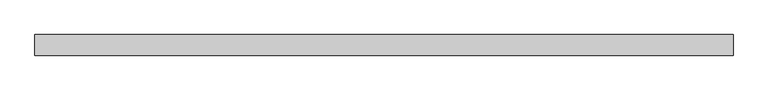
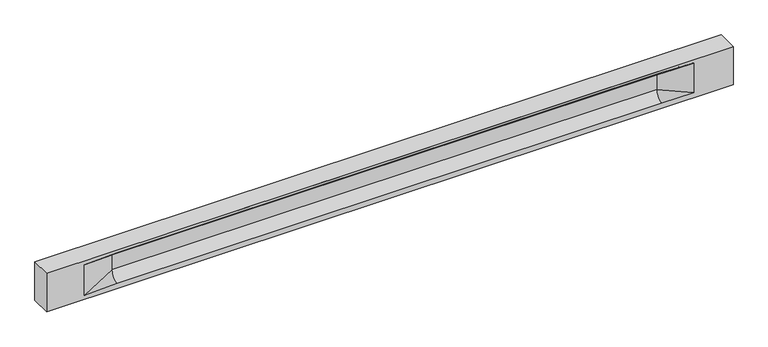
"""IFC4 building model written with IfcOpenShell, lengths in millimetres: beam geometry."""

from ifc_helpers import new_model, si_unit, frame, origin, place, context, project, spatial, polyline, circle_curve, source, transform, mapped, element, save
from ifc_brep_helpers import plane_surface, revolved_surface, spline_surface, advanced_brep


def beam_510c9145(model_context):
    return source(origin(), model_context, "Body", "AdvancedBrep", [
        advanced_brep(
        [(8475.0, -250.0, 500.0), (8475.0, -250.0, -500.0), (8475.0, 250.0, -500.0), (8475.0, 250.0, 500.0), (-8475.0, -250.0, 500.0), (-8475.0, -250.0, -500.0), (7500.0, -250.0, -362.0), (6700.0, -250.0, -360.0), (-6745.0, -250.0, -360.0), (-7545.0, -250.0, -400.0), (-7545.0, -250.0, 400.0), (-6745.0, -250.0, 435.0), (6700.0, -250.0, 435.0), (7500.0, -250.0, 400.0), (-8475.0, 250.0, -500.0), (-8475.0, 250.0, 500.0), (7500.0, 250.0, 400.0), (6700.0, 250.0, 435.0), (-6745.0, 250.0, 435.0), (-7545.0, 250.0, 400.0), (-7545.0, 250.0, -400.0), (-6745.0, 250.0, -360.0), (6700.0, 250.0, -360.0), (7500.0, 250.0, -362.0), (6700.0, 155.0, 405.0), (-6745.0, 155.0, 405.0), (6700.0, 60.0, 262.777021), (-6745.0, 60.0, 262.777021), (6700.0, 60.0, -120.0), (-6745.0, 60.0, -120.0), (6700.0, -60.0, -120.0), (-6745.0, -60.0, -120.0), (6700.0, -60.0, 262.777021), (-6745.0, -60.0, 262.777021), (6700.0, -155.0, 405.0), (-6745.0, -155.0, 405.0)],
        [
            (0, 1),
            (1, 2),
            (2, 3),
            (3, 0),
            (0, 4),
            (4, 5),
            (5, 1),
            (6, 7),
            (7, 8),
            (8, 9),
            (9, 10),
            (10, 11),
            (11, 12),
            (12, 13),
            (13, 6),
            (5, 14),
            (14, 2),
            (14, 15),
            (15, 3),
            (16, 17),
            (17, 18),
            (18, 19),
            (19, 20),
            (20, 21),
            (21, 22),
            (22, 23),
            (23, 16),
            (15, 4),
            (17, 24),
            (24, 25),
            (25, 18),
            (24, 26, circle_curve(frame((6700.0, 213.9598725, 262.777021), z_axis=(1.0, 0.0, 0.0), x_axis=(0.0, 1.0, 0.0)), 153.9598725)),
            (26, 27),
            (27, 25, circle_curve(frame((-6745.0, 213.9598725, 262.777021), z_axis=(-1.0, 0.0, 0.0), x_axis=(0.0, 1.0, 0.0)), 153.9598725)),
            (26, 28),
            (28, 29),
            (29, 27),
            (28, 22, circle_curve(frame((6700.0, 306.5789474, -120.0), z_axis=(1.0, 0.0, 0.0), x_axis=(0.0, 1.0, 0.0)), 246.5789474)),
            (21, 29, circle_curve(frame((-6745.0, 306.5789474, -120.0), z_axis=(-1.0, 0.0, 0.0), x_axis=(0.0, 1.0, 0.0)), 246.5789474)),
            (7, 30, circle_curve(frame((6700.0, -306.5789474, -120.0), z_axis=(1.0, 0.0, 0.0), x_axis=(0.0, 1.0, 0.0)), 246.5789474)),
            (30, 31),
            (31, 8, circle_curve(frame((-6745.0, -306.5789474, -120.0), z_axis=(-1.0, 0.0, 0.0), x_axis=(0.0, 1.0, 0.0)), 246.5789474)),
            (30, 32),
            (32, 33),
            (33, 31),
            (32, 34, circle_curve(frame((6700.0, -213.9598725, 262.777021), z_axis=(1.0, 0.0, 0.0), x_axis=(0.0, 1.0, 0.0)), 153.9598725)),
            (34, 35),
            (35, 33, circle_curve(frame((-6745.0, -213.9598725, 262.777021), z_axis=(-1.0, 0.0, 0.0), x_axis=(0.0, 1.0, 0.0)), 153.9598725)),
            (34, 12),
            (11, 35),
            (27, 19),
            (19, 25),
            (10, 35),
            (10, 33),
            (9, 31),
            (20, 29),
            (34, 13),
            (32, 13),
            (30, 6),
            (28, 23),
            (26, 16),
            (24, 16),
        ],
        [
            plane_surface(frame((8475.0, 0.0, 0.0), z_axis=(1.0, 0.0, 0.0), x_axis=(0.0, 0.0, 1.0))),
            plane_surface(frame((8475.0, -250.0, 500.0), z_axis=(0.0, -1.0, 0.0), x_axis=(-1.0, 0.0, 0.0))),
            plane_surface(frame((8475.0, -250.0, -500.0), z_axis=(0.0, 0.0, -1.0), x_axis=(-1.0, 0.0, 0.0))),
            plane_surface(frame((8475.0, 250.0, -500.0), z_axis=(0.0, 1.0, 0.0), x_axis=(-1.0, 0.0, 0.0))),
            plane_surface(frame((8475.0, 250.0, 500.0), z_axis=(0.0, 0.0, 1.0), x_axis=(-1.0, 0.0, 0.0))),
            plane_surface(frame((-6745.0, 250.0, 435.0), z_axis=(0.0, 0.30113136793710954, -0.9535826651341378), x_axis=(1.0, 0.0, 0.0))),
            revolved_surface(polyline([(6700.0, 367.919745, 262.777021), (-6745.0, 367.919745, 262.777021)]), (-6745.0, 213.9598725, 262.777021), (1.0, 0.0, 0.0)),
            plane_surface(frame((-6745.0, 60.0, 262.777021), z_axis=(0.0, 1.0, 0.0), x_axis=(1.0, 0.0, 0.0))),
            revolved_surface(polyline([(6700.0, 553.1578948, -120.0), (-6745.0, 553.1578948, -120.0)]), (-6745.0, 306.5789474, -120.0), (1.0, 0.0, 0.0)),
            revolved_surface(polyline([(6700.0, -60.0, -120.0), (-6745.0, -60.0, -120.0)]), (-6745.0, -306.5789474, -120.0), (1.0, 0.0, 0.0)),
            plane_surface(frame((-6745.0, -60.0, -120.0), z_axis=(0.0, -1.0, 0.0), x_axis=(1.0, 0.0, 0.0))),
            revolved_surface(polyline([(6700.0, -60.0, 262.777021), (-6745.0, -60.0, 262.777021)]), (-6745.0, -213.9598725, 262.777021), (1.0, 0.0, 0.0)),
            plane_surface(frame((-6745.0, -155.0, 405.0), z_axis=(0.0, -0.30113136793710693, -0.9535826651341387), x_axis=(1.0, 0.0, 0.0))),
            spline_surface(2, 1, [[(-7545.0, 250.0, 400.0), (-6745.0, 60.0, 262.777021)], [(-7545.0, 250.0, 400.0), (-6745.0, 59.99999995452379, 365.6168572954922)], [(-7545.0, 250.0, 400.0), (-6745.0, 155.0, 405.0)]], [3, 3], [2, 2], [0.0, 1.0], [0.0, 1.0], weights=[[1.0, 1.0], [0.8315515921160737, 0.8315515921160737], [1.0, 1.0]]),
            plane_surface(frame((-7545.0, 250.0, 400.0), z_axis=(0.041682982855687944, 0.30086965068766386, -0.9527538938442265), x_axis=(0.0, 0.9535826651341378, 0.30113136793710954))),
            plane_surface(frame((-7545.0, -250.0, 400.0), z_axis=(0.041682982855687965, -0.30086965068766125, -0.9527538938442274), x_axis=(0.0, 0.9535826651341387, -0.30113136793710693))),
            spline_surface(2, 1, [[(-7545.0, -250.0, 400.0), (-6745.0, -155.0, 405.0)], [(-7545.0, -250.0, 400.0), (-6745.0, -60.00000008030692, 365.6168572114734)], [(-7545.0, -250.0, 400.0), (-6745.0, -60.0, 262.777021)]], [3, 3], [2, 2], [0.0, 1.0], [0.0, 1.0], weights=[[1.0, 1.0], [0.8315515924557569, 0.8315515924557569], [1.0, 1.0]]),
            plane_surface(frame((-7545.0, -250.0, 0.0), z_axis=(0.23107243079590054, -0.9729365507195594, 0.0), x_axis=(0.0, 0.0, -1.0))),
            spline_surface(2, 1, [[(-7545.0, -250.0, -400.0), (-6745.0, -60.0, -120.0)], [(-7545.0, -250.0, -400.0), (-6745.0, -59.99999998020837, -315.20833333333337)], [(-7545.0, -250.0, -400.0), (-6745.0, -250.0, -360.0)]], [3, 3], [2, 2], [0.0, 1.0], [0.0, 1.0], weights=[[1.0, 1.0], [0.7840458244617614, 0.7840458244617614], [1.0, 1.0]]),
            spline_surface(2, 1, [[(-7545.0, 250.0, -400.0), (-6745.0, 250.0, -360.0)], [(-7545.0, 250.0, -400.0), (-6745.0, 60.00000002887427, -315.20833329480604)], [(-7545.0, 250.0, -400.0), (-6745.0, 60.0, -120.0)]], [3, 3], [2, 2], [0.0, 1.0], [0.0, 1.0], weights=[[1.0, 1.0], [0.7840458245391329, 0.7840458245391329], [1.0, 1.0]]),
            plane_surface(frame((-7545.0, 250.0, 0.0), z_axis=(0.23107243079589623, 0.9729365507195604, 0.0), x_axis=(0.0, 0.0, 1.0))),
            plane_surface(frame((-8475.0, 0.0, 0.0), z_axis=(-1.0, 0.0, 0.0), x_axis=(0.0, 0.0, 1.0))),
            plane_surface(frame((6700.0, -202.5, 420.0), z_axis=(-0.04168298285568746, -0.30086965068766125, -0.9527538938442274), x_axis=(0.0, 0.9535826651341387, -0.30113136793710693))),
            spline_surface(2, 1, [[(6700.0, -155.0, 405.0), (7500.0, -250.0, 400.0)], [(6700.0, -60.00000008030692, 365.6168572114734), (7500.0, -250.0, 400.0)], [(6700.0, -60.0, 262.777021), (7500.0, -250.0, 400.0)]], [3, 3], [2, 2], [0.0, 1.0], [0.0, 1.0], weights=[[1.0, 1.0], [0.8315515924557569, 0.8315515924557569], [1.0, 1.0]]),
            plane_surface(frame((6700.0, -60.0, 71.3885105), z_axis=(-0.23107243079589737, -0.9729365507195602, 0.0), x_axis=(0.0, 0.0, -1.0))),
            spline_surface(2, 1, [[(6700.0, -60.0, -120.0), (7500.0, -250.0, -362.0)], [(6700.0, -59.99999998020837, -315.20833333333337), (7500.0, -250.0, -362.0)], [(6700.0, -250.0, -360.0), (7500.0, -250.0, -362.0)]], [3, 3], [2, 2], [0.0, 1.0], [0.0, 1.0], weights=[[1.0, 1.0], [0.7840458244617614, 0.7840458244617614], [1.0, 1.0]]),
            spline_surface(2, 1, [[(6700.0, 250.0, -360.0), (7500.0, 250.0, -362.0)], [(6700.0, 60.00000002887427, -315.20833329480604), (7500.0, 250.0, -362.0)], [(6700.0, 60.0, -120.0), (7500.0, 250.0, -362.0)]], [3, 3], [2, 2], [0.0, 1.0], [0.0, 1.0], weights=[[1.0, 1.0], [0.7840458245391329, 0.7840458245391329], [1.0, 1.0]]),
            plane_surface(frame((6700.0, 60.0, 71.3885105), z_axis=(-0.23107243079589093, 0.9729365507195618, 0.0), x_axis=(0.0, 0.0, 1.0))),
            spline_surface(2, 1, [[(6700.0, 60.0, 262.777021), (7500.0, 250.0, 400.0)], [(6700.0, 59.99999995452379, 365.6168572954922), (7500.0, 250.0, 400.0)], [(6700.0, 155.0, 405.0), (7500.0, 250.0, 400.0)]], [3, 3], [2, 2], [0.0, 1.0], [0.0, 1.0], weights=[[1.0, 1.0], [0.8315515921160737, 0.8315515921160737], [1.0, 1.0]]),
            plane_surface(frame((6700.0, 202.5, 420.0), z_axis=(-0.04168298285568672, 0.30086965068766386, -0.9527538938442265), x_axis=(0.0, 0.9535826651341378, 0.30113136793710954))),
        ],
        [
            (0, [[1, 2, 3, 4]]),
            (1, [[-1, 5, 6, 7], [8, 9, 10, 11, 12, 13, 14, 15]]),
            (2, [[-2, -7, 16, 17]]),
            (3, [[-3, -17, 18, 19], [20, 21, 22, 23, 24, 25, 26, 27]]),
            (4, [[-5, -4, -19, 28]]),
            (5, [[-21, 29, 30, 31]]),
            (6, [[-30, 32, 33, 34]]),
            (7, [[-33, 35, 36, 37]]),
            (8, [[-36, 38, -25, 39]]),
            (9, [[-9, 40, 41, 42]]),
            (10, [[-41, 43, 44, 45]]),
            (11, [[-44, 46, 47, 48]]),
            (12, [[-47, 49, -13, 50]]),
            (13, [[51, 52, -34]]),
            (14, [[-52, -22, -31]]),
            (15, [[-12, 53, -50]]),
            (16, [[-53, 54, -48]]),
            (17, [[-54, -11, 55, -45]]),
            (18, [[-55, -10, -42]]),
            (19, [[-24, 56, -39]]),
            (20, [[-51, -37, -56, -23]]),
            (21, [[-28, -18, -16, -6]]),
            (22, [[-14, -49, 57]]),
            (23, [[-57, -46, 58]]),
            (24, [[-58, -43, 59, -15]]),
            (25, [[-59, -40, -8]]),
            (26, [[-26, -38, 60]]),
            (27, [[-60, -35, 61, -27]]),
            (28, [[-61, -32, 62]]),
            (29, [[-62, -29, -20]]),
        ],
    ),
    ])


if __name__ == "__main__":
    model = new_model("IFC4")
    model_context = context("Model", 3, world=origin())
    ifc_project = project(units=[si_unit("LENGTHUNIT", "METRE", prefix="MILLI")], contexts=[model_context])
    site = spatial("IfcSite", under=ifc_project)
    building = spatial("IfcBuilding", under=site)
    placement = place(None, origin())
    beam_shape = beam_510c9145(model_context)
    element("IfcBeam", 1, at=placement, inside=building, context=model_context, shape_type="MappedRepresentation", body=[
        mapped(beam_shape, transform((0.0, 0.0, 0.0), x_axis=(1.0, 0.0, 0.0), y_axis=(0.0, 1.0, 0.0), z_axis=(0.0, 0.0, 1.0))),
    ])
    save(model, "model.ifc")
